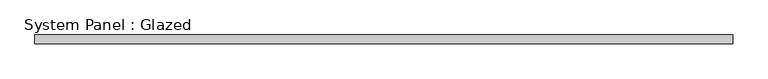
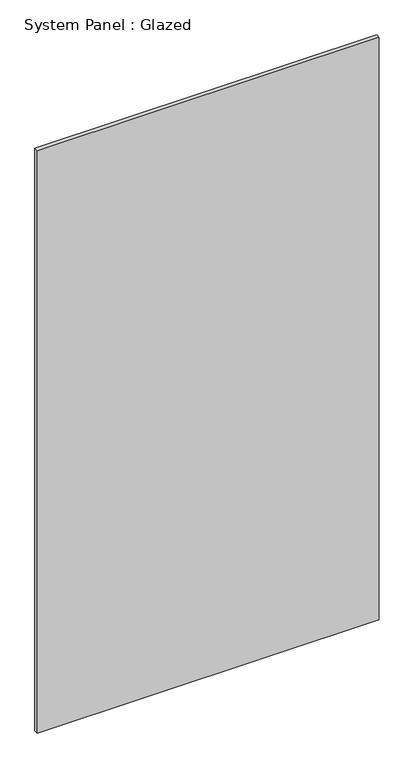
"""IFC4 building model written with IfcOpenShell, lengths in millimetres: plate geometry, System Panel : Glazed."""

from ifc_helpers import new_model, si_unit, origin, origin_with_axes, place, context, project, spatial, polyline, outline, extrude, source, transform, mapped, element, save


def system_panel_glazed_fcabcf26(model_context):
    return source(origin(), model_context, "Body", "SweptSolid", [
        extrude(outline(polyline([(1000.0, -22.5), (-1000.0, -22.5), (-1000.0, 2.5), (1000.0, 2.5), (1000.0, -22.5)])), origin_with_axes(), (0.0, 0.0, 1.0), 3600.0),
    ])


if __name__ == "__main__":
    model = new_model("IFC4")
    model_context = context("Model", 3, world=origin())
    ifc_project = project(units=[si_unit("LENGTHUNIT", "METRE", prefix="MILLI")], contexts=[model_context])
    site = spatial("IfcSite", under=ifc_project)
    building = spatial("IfcBuilding", under=site)
    placement = place(None, origin())
    system_panel_glazed_shape = system_panel_glazed_fcabcf26(model_context)
    element("IfcPlate", 1, ObjectType="System Panel : Glazed", at=placement, inside=building, context=model_context, shape_type="MappedRepresentation", body=[
        mapped(system_panel_glazed_shape, transform((0.0, 0.0, 0.0), x_axis=(1.0, 0.0, 0.0), y_axis=(0.0, 1.0, 0.0), z_axis=(0.0, 0.0, 1.0))),
    ])
    save(model, "model.ifc")
